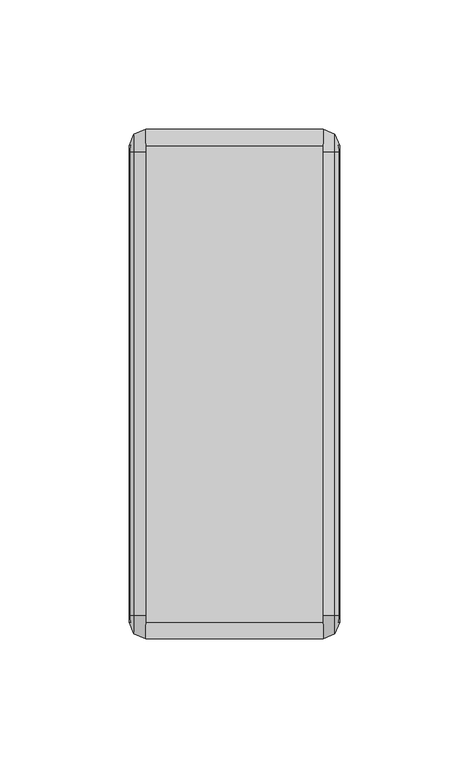
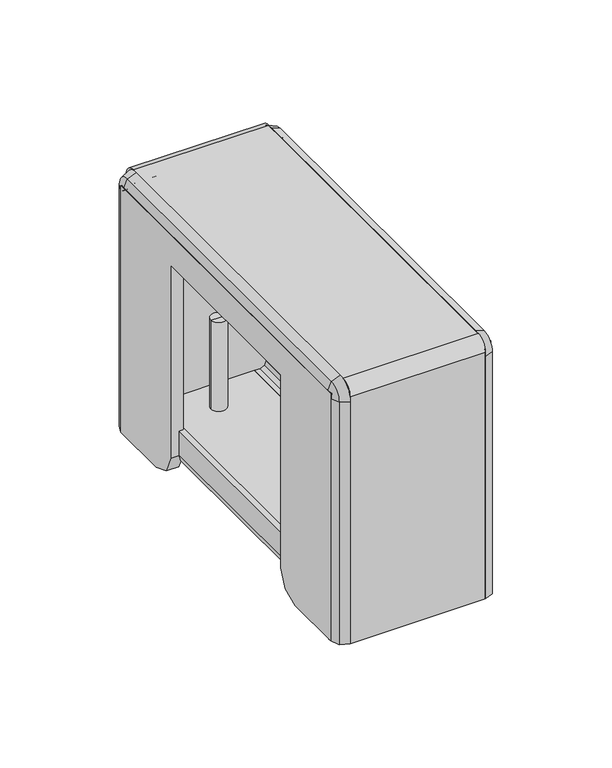
"""IFC4 building model written with IfcOpenShell, lengths in millimetres: furniture geometry."""

import ifcopenshell
import ifcopenshell.guid

model = None  # the IFC model being written
_history = None  # IfcOwnerHistory: only IFC2X3 demands one
_inside = {}  # id of a spatial element -> (the spatial element, [elements in it])
_under = {}  # id of a project, library or spatial element -> (it, [spatial elements below it])
_declared = {}  # id of a project -> (the project, [libraries it declares])
_typed = {}  # id of a type object -> (the type object, [elements of that type])
_made_of = {}  # id of a material, layer set ... -> (it, [elements and type objects made of it])


def new_model(schema):
    """Start an empty IFC model of exactly this schema.

    Asked for "IFC4X3", IfcOpenShell would pick the latest addendum, in which some entities
    have other attributes; the version numbers below select the first issue.
    IFC2X3 requires an IfcOwnerHistory on every rooted entity: one is made here for all.
    """
    global model, _history
    if schema == "IFC4X3":
        model = ifcopenshell.file(schema_version=(4, 3, 0, 0))
    else:
        model = ifcopenshell.file(schema=schema)
    _inside.clear()
    _under.clear()
    _declared.clear()
    _typed.clear()
    _made_of.clear()
    _history = None
    if model.schema == "IFC2X3":
        org = make("IfcOrganization", Name="unknown")
        user = make(
            "IfcPersonAndOrganization",
            ThePerson=make("IfcPerson", FamilyName="unknown"),
            TheOrganization=org,
        )
        app = make(
            "IfcApplication",
            ApplicationDeveloper=org,
            Version="unknown",
            ApplicationFullName="unknown",
            ApplicationIdentifier="unknown",
        )
        _history = make(
            "IfcOwnerHistory",
            OwningUser=user,
            OwningApplication=app,
            ChangeAction="ADDED",
            CreationDate=0,
        )
    return model


def make(cls, **values):
    """One entity of the class cls with the attributes given. An attribute that is None is left unset."""
    return model.create_entity(
        cls, **{name: value for name, value in values.items() if value is not None}
    )


def rooted(cls, **values):
    """An entity with a GlobalId (a new one), such as an element, a storey or a relation."""
    return make(cls, GlobalId=ifcopenshell.guid.new(), OwnerHistory=_history, **values)


def si_unit(unit_type, name, prefix=None):
    """IfcSIUnit, for example si_unit("LENGTHUNIT", "METRE", prefix="MILLI")."""
    return make("IfcSIUnit", UnitType=unit_type, Prefix=prefix, Name=name)


def assignment(units):
    """IfcUnitAssignment: the units of a project."""
    return None if units is None else make("IfcUnitAssignment", Units=units)


def point(xyz):
    """IfcCartesianPoint."""
    return None if xyz is None else make("IfcCartesianPoint", Coordinates=xyz)


def direction(xyz):
    """IfcDirection."""
    return None if xyz is None else make("IfcDirection", DirectionRatios=xyz)


def frame(location, z_axis=None, x_axis=None):
    """IfcAxis2Placement3D, a coordinate frame: its origin and axes. An axis left out is left unset."""
    return make(
        "IfcAxis2Placement3D",
        Location=point(location),
        Axis=direction(z_axis),
        RefDirection=direction(x_axis),
    )


def frame_2d(location, x_axis=None):
    """IfcAxis2Placement2D, a coordinate frame in the plane: its origin and x axis."""
    return make(
        "IfcAxis2Placement2D", Location=point(location), RefDirection=direction(x_axis)
    )


def origin():
    """The frame at (0, 0, 0) with its axes left unset."""
    return frame((0.0, 0.0, 0.0))


def place(relative_to, where):
    """IfcLocalPlacement: puts the frame where relative to a parent placement (None: the world)."""
    return make(
        "IfcLocalPlacement", PlacementRelTo=relative_to, RelativePlacement=where
    )


def context(
    kind, dimensions, precision=None, world=None, true_north=None, identifier=None
):
    """IfcGeometricRepresentationContext, for example the 3D "Model" context."""
    return make(
        "IfcGeometricRepresentationContext",
        ContextIdentifier=identifier,
        ContextType=kind,
        CoordinateSpaceDimension=dimensions,
        Precision=precision,
        WorldCoordinateSystem=world,
        TrueNorth=true_north,
    )


def project(units=None, contexts=None):
    """IfcProject with its units and contexts."""
    return rooted(
        "IfcProject",
        Name="project",
        RepresentationContexts=contexts,
        UnitsInContext=assignment(units),
    )


def spatial(cls, under=None, at=None, **own):
    """A site, building, storey or space (cls), placed at a placement, below another one or the project."""
    s = rooted(cls, ObjectPlacement=at, **own)
    if under is not None:
        _under.setdefault(under.id(), (under, []))[1].append(s)
    return s


def polyline(points):
    """IfcPolyline through the points."""
    return make("IfcPolyline", Points=[point(p) for p in points])


def circle_curve(where, radius):
    """IfcCircle in the frame where."""
    return make("IfcCircle", Position=where, Radius=radius)


def trimmed(basis, trim1, trim2, sense, master):
    """IfcTrimmedCurve: the piece of a basis curve between two trims."""
    return make(
        "IfcTrimmedCurve",
        BasisCurve=basis,
        Trim1=trim1,
        Trim2=trim2,
        SenseAgreement=sense,
        MasterRepresentation=master,
    )


def segment(curve, same_sense, transition):
    """IfcCompositeCurveSegment."""
    return make(
        "IfcCompositeCurveSegment",
        Transition=transition,
        SameSense=same_sense,
        ParentCurve=curve,
    )


def composite_curve(segments, self_intersect=None):
    """IfcCompositeCurve: segments joined end to end."""
    return make("IfcCompositeCurve", Segments=segments, SelfIntersect=self_intersect)


def outline(outer, holes=None, kind="AREA"):
    """IfcArbitraryClosedProfileDef: a profile drawn as a closed curve; with holes, ...WithVoids."""
    if holes is None:
        return make("IfcArbitraryClosedProfileDef", ProfileType=kind, OuterCurve=outer)
    return make(
        "IfcArbitraryProfileDefWithVoids",
        ProfileType=kind,
        OuterCurve=outer,
        InnerCurves=holes,
    )


def extrude(swept, where, along, depth):
    """IfcExtrudedAreaSolid: the profile swept, set in the frame where, extruded along a direction by depth."""
    return make(
        "IfcExtrudedAreaSolid",
        SweptArea=swept,
        Position=where,
        ExtrudedDirection=direction(along),
        Depth=depth,
    )


def shape(context_of_items, identifier, shape_type, items):
    """IfcShapeRepresentation: the items that make up one representation, for example the "Body"."""
    return make(
        "IfcShapeRepresentation",
        ContextOfItems=context_of_items,
        RepresentationIdentifier=identifier,
        RepresentationType=shape_type,
        Items=items,
    )


def source(mapping_origin, context_of_items, identifier, shape_type, items):
    """IfcRepresentationMap: a shape defined once, which mapped items show again and again."""
    return make(
        "IfcRepresentationMap",
        MappingOrigin=mapping_origin,
        MappedRepresentation=shape(context_of_items, identifier, shape_type, items),
    )


def transform(
    local_origin,
    x_axis=None,
    y_axis=None,
    z_axis=None,
    scale=None,
    scale2=None,
    scale3=None,
    uniform=True,
):
    """IfcCartesianTransformationOperator3D, or its non-uniform kind. x_axis, y_axis, z_axis: its Axis1, 2, 3."""
    if uniform:
        return make(
            "IfcCartesianTransformationOperator3D",
            Axis1=direction(x_axis),
            Axis2=direction(y_axis),
            LocalOrigin=point(local_origin),
            Scale=scale,
            Axis3=direction(z_axis),
        )
    return make(
        "IfcCartesianTransformationOperator3DnonUniform",
        Axis1=direction(x_axis),
        Axis2=direction(y_axis),
        LocalOrigin=point(local_origin),
        Scale=scale,
        Axis3=direction(z_axis),
        Scale2=scale2,
        Scale3=scale3,
    )


def mapped(mapping_source, mapping_target):
    """IfcMappedItem: shows the shape of a source again, moved by a transform."""
    return make(
        "IfcMappedItem", MappingSource=mapping_source, MappingTarget=mapping_target
    )


def made_of(thing, what):
    """Note that an element or type object is made of a material, layer set ...; save() writes the relation."""
    if what is not None:
        _made_of.setdefault(what.id(), (what, []))[1].append(thing)
    return thing


def element(
    cls,
    number,
    at=None,
    inside=None,
    cuts=None,
    type_object=None,
    material=None,
    context=None,
    identifier="Body",
    shape_type=None,
    held_by="IfcProductDefinitionShape",
    body=None,
    shapes=None,
    **own,
):
    """One element of the class cls, such as IfcWall. Its Tag is "e" and its number.

    at: its placement. inside: the storey or other place that contains it. cuts: it is an
    opening in that element (IfcRelVoidsElement). A single representation is given by context,
    identifier, shape_type and body (its items); several are given by shapes. held_by: the class
    of the entity that holds the representations. save() writes the other relations.
    """
    e = rooted(cls, Tag="e%d" % number, ObjectPlacement=at, **own)
    if body is not None:
        shapes = [shape(context, identifier, shape_type, body)]
    if shapes is not None:
        e.Representation = make(held_by, Representations=shapes)
    if inside is not None:
        _inside.setdefault(inside.id(), (inside, []))[1].append(e)
    if cuts is not None:
        rooted(
            "IfcRelVoidsElement", RelatingBuildingElement=cuts, RelatedOpeningElement=e
        )
    if type_object is not None:
        _typed.setdefault(type_object.id(), (type_object, []))[1].append(e)
    return made_of(e, material)


def aggregate(whole, parts):
    """IfcRelAggregates: a whole, such as a stair, and the parts it consists of."""
    return rooted("IfcRelAggregates", RelatingObject=whole, RelatedObjects=parts)


def save(model, path):
    """Write the relations noted so far, then the file.

    IfcRelAggregates (storeys below a building ...), IfcRelContainedInSpatialStructure (elements
    in a storey), IfcRelDefinesByType, IfcRelAssociatesMaterial and IfcRelDeclares: one each for
    every whole, place, type object, material and project.
    """
    for whole, parts in _under.values():
        aggregate(whole, parts)
    for where, things in _inside.values():
        rooted(
            "IfcRelContainedInSpatialStructure",
            RelatedElements=things,
            RelatingStructure=where,
        )
    for kind, things in _typed.values():
        rooted("IfcRelDefinesByType", RelatedObjects=things, RelatingType=kind)
    for what, things in _made_of.values():
        rooted("IfcRelAssociatesMaterial", RelatedObjects=things, RelatingMaterial=what)
    for by, libraries in _declared.values():
        rooted("IfcRelDeclares", RelatingContext=by, RelatedDefinitions=libraries)
    model.write(path)


def plane_surface(at):
    """IfcPlane: the flat surface through the origin of the frame at, square to its z axis."""
    return make("IfcPlane", Position=at)


def cylinder_surface(at, radius):
    """IfcCylindricalSurface: all points at the distance radius from the z axis of the frame at."""
    return make("IfcCylindricalSurface", Position=at, Radius=radius)


def revolved_surface(curve, axis_point, axis_direction):
    """IfcSurfaceOfRevolution: the curve turned about the line through axis_point along axis_direction."""
    return make(
        "IfcSurfaceOfRevolution",
        SweptCurve=make("IfcArbitraryOpenProfileDef", ProfileType="CURVE", Curve=curve),
        AxisPosition=make("IfcAxis1Placement", Location=point(axis_point), Axis=direction(axis_direction)),
    )


def advanced_brep(points, edges, surfaces, faces):
    """IfcAdvancedBrep: a solid bounded by faces that lie on surfaces and meet in shared edges.

    An edge is (start, end): straight between two places in points (the first is 0);
    or (start, end, curve); or (start, end, curve, False) where it runs against its curve.
    A face is (place in surfaces, loops), or (place, loops, False) where it looks against
    its surface's normal. A loop lists edges by number (the first is 1), with a minus sign
    where the edge is run from its end to its start. The first loop is the outer one.
    """
    corners = [point(p) for p in points]
    vertices = [make("IfcVertexPoint", VertexGeometry=c) for c in corners]
    made = []
    for start, end, *more in edges:
        made.append(
            make(
                "IfcEdgeCurve",
                EdgeStart=vertices[start],
                EdgeEnd=vertices[end],
                EdgeGeometry=more[0] if more else make("IfcPolyline", Points=[corners[start], corners[end]]),
                SameSense=more[1] if len(more) > 1 else True,
            )
        )
    hull = []
    for where, loops, *sense in faces:
        bounds = []
        for j, loop in enumerate(loops):
            ring = [make("IfcOrientedEdge", EdgeElement=made[abs(k) - 1], Orientation=k > 0) for k in loop]
            bounds.append(
                make(
                    "IfcFaceOuterBound" if j == 0 else "IfcFaceBound",
                    Bound=make("IfcEdgeLoop", EdgeList=ring),
                    Orientation=True,
                )
            )
        hull.append(make("IfcAdvancedFace", Bounds=bounds, FaceSurface=surfaces[where], SameSense=sense[0] if sense else True))
    return make("IfcAdvancedBrep", Outer=make("IfcClosedShell", CfsFaces=hull))


def furniture_15d91f22(model_context):
    return source(origin(), model_context, "Body", "SolidModel", [
        advanced_brep(
        [(44.6918555, -162.8161811, 60.1980016), (36.690854, -162.8161811, 60.1980016), (36.690854, -162.8161811, 7.8739999), (44.6918555, -162.8161811, 7.8739999), (27.9913487, -162.8161811, 7.8739999), (53.3913608, -162.8161811, 7.8739999), (27.9913487, -162.8161811, 2.6834552), (53.3913608, -162.8161811, 2.6834552), (40.6913548, -162.8161811, 0.0), (40.6913548, -162.8161811, 60.1980016)],
        [
            (0, 1, circle_curve(frame((40.6913548, -162.8161811, 60.1980016), z_axis=(0.0, 0.0, -1.0), x_axis=(-1.0, 0.0, 0.0)), 4.0005007)),
            (1, 2),
            (2, 3, circle_curve(frame((40.6913548, -162.8161811, 7.8739999), z_axis=(0.0, 0.0, 1.0), x_axis=(-1.0, 0.0, 0.0)), 4.0005007)),
            (3, 0),
            (1, 0, circle_curve(frame((40.6913548, -162.8161811, 60.1980016), z_axis=(0.0, 0.0, -1.0), x_axis=(-1.0, 0.0, 0.0)), 4.0005007)),
            (3, 2, circle_curve(frame((40.6913548, -162.8161811, 7.8739999), z_axis=(0.0, 0.0, 1.0), x_axis=(-1.0, 0.0, 0.0)), 4.0005007)),
            (2, 4),
            (4, 5, circle_curve(frame((40.6913548, -162.8161811, 7.8739999), z_axis=(0.0, 0.0, 1.0), x_axis=(-1.0, 0.0, 0.0)), 12.7000061)),
            (5, 3),
            (5, 4, circle_curve(frame((40.6913548, -162.8161811, 7.8739999), z_axis=(0.0, 0.0, 1.0), x_axis=(-1.0, 0.0, 0.0)), 12.7000061)),
            (4, 6),
            (6, 7, circle_curve(frame((40.6913548, -162.8161811, 2.6834552), z_axis=(0.0, 0.0, 1.0), x_axis=(-1.0, 0.0, 0.0)), 12.7000061)),
            (7, 5),
            (7, 6, circle_curve(frame((40.6913548, -162.8161811, 2.6834552), z_axis=(0.0, 0.0, 1.0), x_axis=(-1.0, 0.0, 0.0)), 12.7000061)),
            (6, 8),
            (8, 7),
            (9, 1),
            (0, 9),
        ],
        [
            cylinder_surface(frame((40.6913548, -162.8161811, 60.1980016), z_axis=(0.0, 0.0, 1.0), x_axis=(-1.0, 0.0, 0.0)), 4.0005007),
            plane_surface(frame((40.6913548, -162.8161811, 7.8739999), z_axis=(0.0, 0.0, 1.0), x_axis=(-1.0, 0.0, 0.0))),
            cylinder_surface(frame((40.6913548, -162.8161811, 60.1980016), z_axis=(0.0, 0.0, 1.0), x_axis=(-1.0, 0.0, 0.0)), 12.7000061),
            revolved_surface(polyline([(40.6913548, -162.8161811, 0.0), (27.9913487, -162.8161811, 2.6834552)]), (40.6913548, -162.8161811, 60.1980016), (0.0, 0.0, 1.0)),
            plane_surface(frame((40.6913548, -162.8161811, 60.1980016), z_axis=(0.0, 0.0, 1.0), x_axis=(-1.0, 0.0, 0.0))),
        ],
        [
            (0, [[1, 2, 3, 4]]),
            (0, [[5, -4, 6, -2]]),
            (1, [[-3, 7, 8, 9]]),
            (1, [[-6, -9, 10, -7]]),
            (2, [[-8, 11, 12, 13]]),
            (2, [[-10, -13, 14, -11]]),
            (3, [[-12, 15, 16]]),
            (3, [[-14, -16, -15]]),
            (4, [[17, -1, 18]]),
            (4, [[-18, -5, -17]]),
        ],
    ),
        advanced_brep(
        [(44.6918555, -21.7014804, 7.8739999), (36.690854, -21.7014804, 7.8739999), (36.690854, -21.7014804, 60.1980016), (44.6918555, -21.7014804, 60.1980016), (53.3913608, -21.7014804, 7.8739999), (27.9913487, -21.7014804, 7.8739999), (53.3913608, -21.7014804, 2.6834552), (27.9913487, -21.7014804, 2.6834552), (40.6913548, -21.7014804, 0.0), (40.6913548, -21.7014804, 60.1980016)],
        [
            (0, 1, circle_curve(frame((40.6913548, -21.7014804, 7.8739999), z_axis=(0.0, 0.0, 1.0), x_axis=(-1.0, 0.0, 0.0)), 4.0005007)),
            (1, 2),
            (2, 3, circle_curve(frame((40.6913548, -21.7014804, 60.1980016), z_axis=(0.0, 0.0, -1.0), x_axis=(-1.0, 0.0, 0.0)), 4.0005007)),
            (3, 0),
            (1, 0, circle_curve(frame((40.6913548, -21.7014804, 7.8739999), z_axis=(0.0, 0.0, 1.0), x_axis=(-1.0, 0.0, 0.0)), 4.0005007)),
            (3, 2, circle_curve(frame((40.6913548, -21.7014804, 60.1980016), z_axis=(0.0, 0.0, -1.0), x_axis=(-1.0, 0.0, 0.0)), 4.0005007)),
            (4, 5, circle_curve(frame((40.6913548, -21.7014804, 7.8739999), z_axis=(0.0, 0.0, 1.0), x_axis=(-1.0, 0.0, 0.0)), 12.7000061)),
            (5, 1),
            (0, 4),
            (5, 4, circle_curve(frame((40.6913548, -21.7014804, 7.8739999), z_axis=(0.0, 0.0, 1.0), x_axis=(-1.0, 0.0, 0.0)), 12.7000061)),
            (6, 7, circle_curve(frame((40.6913548, -21.7014804, 2.6834552), z_axis=(0.0, 0.0, 1.0), x_axis=(-1.0, 0.0, 0.0)), 12.7000061)),
            (7, 5),
            (4, 6),
            (7, 6, circle_curve(frame((40.6913548, -21.7014804, 2.6834552), z_axis=(0.0, 0.0, 1.0), x_axis=(-1.0, 0.0, 0.0)), 12.7000061)),
            (8, 7),
            (6, 8),
            (2, 9),
            (9, 3),
        ],
        [
            cylinder_surface(frame((40.6913548, -21.7014804, 60.1980016), z_axis=(0.0, 0.0, -1.0), x_axis=(-1.0, 0.0, 0.0)), 4.0005007),
            plane_surface(frame((40.6913548, -21.7014804, 7.8739999), z_axis=(0.0, 0.0, 1.0), x_axis=(-1.0, 0.0, 0.0))),
            cylinder_surface(frame((40.6913548, -21.7014804, 60.1980016), z_axis=(0.0, 0.0, -1.0), x_axis=(-1.0, 0.0, 0.0)), 12.7000061),
            revolved_surface(polyline([(27.9913487, -21.7014804, 2.6834552), (40.6913548, -21.7014804, 0.0)]), (40.6913548, -21.7014804, 60.1980016), (0.0, 0.0, -1.0)),
            plane_surface(frame((40.6913548, -21.7014804, 60.1980016), z_axis=(0.0, 0.0, 1.0), x_axis=(-1.0, 0.0, 0.0))),
        ],
        [
            (0, [[1, 2, 3, 4]]),
            (0, [[5, -4, 6, -2]]),
            (1, [[7, 8, -1, 9]]),
            (1, [[10, -9, -5, -8]]),
            (2, [[11, 12, -7, 13]]),
            (2, [[14, -13, -10, -12]]),
            (3, [[15, -11, 16]]),
            (3, [[-16, -14, -15]]),
            (4, [[-3, 17, 18]]),
            (4, [[-6, -18, -17]]),
        ],
    ),
        extrude(outline(polyline([(9.8583747, 13.3499982), (12.8983747, 13.3499982), (12.8983747, 10.5649983), (13.8283109, 8.3199341), (16.073375, 7.389999), (28.9083758, 7.389999), (28.9083758, 4.3499979), (16.073375, 4.3499979), (11.6787067, 6.170331), (9.8583747, 10.5649983), (9.8583747, 13.3499982)])), frame((0.0, -190.6970021, 0.0), z_axis=(0.0, 1.0, 0.0), x_axis=(0.0, 0.0, 1.0)), (0.0, 0.0, 1.0), 184.4740023),
        extrude(outline(polyline([(9.8583747, 67.998879), (9.8583747, 70.7838789), (11.6787067, 75.1785462), (16.073375, 76.9988793), (28.9083758, 76.9988793), (28.9083758, 73.9588782), (16.073375, 73.9588782), (13.8283109, 73.0289431), (12.8983747, 70.7838789), (12.8983747, 67.998879), (9.8583747, 67.998879)])), frame((0.0, -190.6970021, 0.0), z_axis=(0.0, 1.0, 0.0), x_axis=(0.0, 0.0, 1.0)), (0.0, 0.0, 1.0), 184.4740023),
        extrude(outline(polyline([(67.998879, -190.6970021), (13.3499982, -190.6970021), (13.3499982, -6.2229997), (67.998879, -6.2229997), (67.998879, -190.6970021)])), frame((0.0, 0.0, 9.8583747), z_axis=(0.0, 0.0, 1.0), x_axis=(1.0, 0.0, 0.0)), (0.0, 0.0, 1.0), 3.04),
        extrude(outline(polyline([(-6.2229997, 3.4703749), (-37.3000017, 3.4703749), (-46.2802539, 7.1901191), (-49.9999987, 16.1703747), (-49.9999987, 119.8104104), (-146.9199958, 119.8104104), (-146.9199958, 16.1703747), (-150.6397451, 7.1901191), (-159.6199927, 3.4703749), (-190.6970021, 3.4703749), (-190.6970021, 136.0169734), (-6.2229997, 136.0169734), (-6.2229997, 3.4703749)])), frame((74.9988772, 0.0, 0.0), z_axis=(1.0, 0.0, 0.0), x_axis=(0.0, 1.0, 0.0)), (0.0, 0.0, 1.0), 6.35),
        extrude(outline(polyline([(-6.2229997, 3.4703749), (-37.3000017, 3.4703749), (-46.2802539, 7.1901191), (-49.9999987, 16.1703747), (-49.9999987, 119.8104104), (-146.9199958, 119.8104104), (-146.9199958, 16.1703747), (-150.6397451, 7.1901191), (-159.6199927, 3.4703749), (-190.6970021, 3.4703749), (-190.6970021, 136.0169734), (-6.2229997, 136.0169734), (-6.2229997, 3.4703749)])), frame((0.0, 0.0, 0.0), z_axis=(1.0, 0.0, 0.0), x_axis=(0.0, 1.0, 0.0)), (0.0, 0.0, 1.0), 6.35),
        advanced_brep(
        [(0.0, -190.6970021, 3.4703749), (0.0, -189.1970028, 3.4703749), (6.35, -189.1970028, 3.4703749), (6.35, -196.9726108, 3.4703749), (1.8226722, -195.0973331, 3.4703749), (6.35, -189.1970028, 133.4769734), (6.35, -188.1570021, 134.5169741), (6.35, -8.7629997, 134.5169741), (6.35, -7.722999, 133.4769734), (6.35, -7.722999, 3.4703749), (6.35, 0.052609, 3.4703749), (6.35, 0.052609, 133.4769734), (6.35, -8.7629997, 142.2925821), (6.35, -188.1570021, 142.2925821), (6.35, -196.9726108, 133.4769734), (0.0, -189.1970028, 133.4769734), (0.0, -190.6970021, 133.4769734), (0.0, -188.1570021, 136.0169734), (0.0, -8.7629997, 136.0169734), (0.0, -6.2229997, 133.4769734), (0.0, -6.2229997, 3.4703749), (0.0, -7.722999, 3.4703749), (0.0, -7.722999, 133.4769734), (0.0, -8.7629997, 134.5169741), (0.0, -188.1570021, 134.5169741), (1.8226722, -1.8226688, 3.4703749), (1.8226722, -195.0973331, 133.4769734), (1.8226722, -188.1570021, 140.4173043), (1.8226722, -8.7629997, 140.4173043), (1.8226722, -1.8226688, 133.4769734)],
        [
            (0, 1),
            (1, 2),
            (2, 3),
            (3, 4),
            (4, 0),
            (2, 5),
            (5, 6, circle_curve(frame((6.35, -188.1570021, 133.4769734), z_axis=(-1.0, 0.0, 0.0), x_axis=(0.0, -1.0, 0.0)), 1.0400007)),
            (6, 7),
            (7, 8, circle_curve(frame((6.35, -8.7629997, 133.4769734), z_axis=(-1.0, 0.0, 0.0), x_axis=(0.0, 0.0, 1.0)), 1.0400007)),
            (8, 9),
            (9, 10),
            (10, 11),
            (11, 12, circle_curve(frame((6.35, -8.7629997, 133.4769734), z_axis=(1.0, 0.0, 0.0), x_axis=(0.0, 0.0, 1.0)), 8.8156088)),
            (12, 13),
            (13, 14, circle_curve(frame((6.35, -188.1570021, 133.4769734), z_axis=(1.0, 0.0, 0.0), x_axis=(0.0, -1.0, 0.0)), 8.8156088)),
            (14, 3),
            (1, 15),
            (15, 5),
            (0, 16),
            (16, 17, circle_curve(frame((0.0, -188.1570021, 133.4769734), z_axis=(-1.0, 0.0, 0.0), x_axis=(0.0, -1.0, 0.0)), 2.54)),
            (17, 18),
            (18, 19, circle_curve(frame((0.0, -8.7629997, 133.4769734), z_axis=(-1.0, 0.0, 0.0), x_axis=(0.0, 0.0, 1.0)), 2.54)),
            (19, 20),
            (20, 21),
            (21, 22),
            (22, 23, circle_curve(frame((0.0, -8.7629997, 133.4769734), z_axis=(1.0, 0.0, 0.0), x_axis=(0.0, 0.0, 1.0)), 1.0400007)),
            (23, 24),
            (24, 15, circle_curve(frame((0.0, -188.1570021, 133.4769734), z_axis=(1.0, 0.0, 0.0), x_axis=(0.0, -1.0, 0.0)), 1.0400007)),
            (24, 6),
            (23, 7),
            (22, 8),
            (20, 25),
            (25, 10),
            (9, 21),
            (4, 26),
            (26, 16),
            (14, 26),
            (26, 27, circle_curve(frame((1.8226722, -188.1570021, 133.4769734), z_axis=(-1.0, 0.0, 0.0), x_axis=(0.0, -1.0, 0.0)), 6.940331)),
            (27, 17),
            (13, 27),
            (27, 28),
            (28, 18),
            (12, 28),
            (28, 29, circle_curve(frame((1.8226722, -8.7629997, 133.4769734), z_axis=(-1.0, 0.0, 0.0), x_axis=(0.0, 0.0, 1.0)), 6.940331)),
            (29, 19),
            (11, 29),
            (29, 25),
        ],
        [
            plane_surface(frame((6.3499985, -190.6970021, 3.4703749), z_axis=(0.0, 0.0, -1.0), x_axis=(-1.0, 0.0, 0.0))),
            plane_surface(frame((6.35, -189.1970028, 3.4703749), z_axis=(1.0, 0.0, 0.0), x_axis=(0.0, 0.0, 1.0))),
            plane_surface(frame((0.0, -189.1970028, 3.4703749), z_axis=(0.0, 1.0, 0.0), x_axis=(0.0, 0.0, 1.0))),
            plane_surface(frame((0.0, -190.6970021, 3.4703749), z_axis=(-1.0, 0.0, 0.0), x_axis=(0.0, 0.0, 1.0))),
            revolved_surface(polyline([(0.0, -189.1970028, 133.4769734), (6.35, -189.1970028, 133.4769734)]), (6.3499985, -188.1570021, 133.4769734), (-1.0, 0.0, 0.0)),
            plane_surface(frame((0.0, -188.1570021, 134.5169741), z_axis=(0.0, 0.0, -1.0), x_axis=(0.0, 1.0, 0.0))),
            revolved_surface(polyline([(0.0, -8.7629997, 134.5169741), (6.35, -8.7629997, 134.5169741)]), (6.3499985, -8.7629997, 133.4769734), (-1.0, 0.0, 0.0)),
            plane_surface(frame((6.3499985, -6.2229997, 3.4703749), z_axis=(0.0, 0.0, -1.0), x_axis=(-1.0, 0.0, 0.0))),
            plane_surface(frame((0.0, -7.722999, 133.4769734), z_axis=(0.0, -1.0, 0.0), x_axis=(0.0, 0.0, -1.0))),
            plane_surface(frame((1.8226722, -195.0973331, 3.4703749), z_axis=(-0.9238798733387227, -0.3826826095338352, 0.0), x_axis=(0.0, 0.0, 1.0))),
            plane_surface(frame((6.35, -196.9726108, 3.4703749), z_axis=(-0.3826829466812399, -0.9238797336879748, 0.0), x_axis=(0.0, 0.0, 1.0))),
            revolved_surface(polyline([(1.8226722, -195.0973331, 133.4769734), (0.0, -190.6970021, 133.4769734)]), (6.3499985, -188.1570021, 133.4769734), (-1.0, 0.0, 0.0)),
            revolved_surface(polyline([(6.35, -196.9726108, 133.4769734), (1.8226722, -195.0973331, 133.4769734)]), (6.3499985, -188.1570021, 133.4769734), (-1.0, 0.0, 0.0)),
            plane_surface(frame((1.8226722, -188.1570021, 140.4173043), z_axis=(-0.9238798733387267, 0.0, 0.38268260953382577), x_axis=(0.0, 1.0, 0.0))),
            plane_surface(frame((6.35, -188.1570021, 142.2925821), z_axis=(-0.3826829466812494, 0.0, 0.9238797336879709), x_axis=(0.0, 1.0, 0.0))),
            revolved_surface(polyline([(1.8226722, -8.7629997, 140.4173043), (0.0, -8.7629997, 136.0169734)]), (6.3499985, -8.7629997, 133.4769734), (-1.0, 0.0, 0.0)),
            revolved_surface(polyline([(6.35, -8.7629997, 142.2925821), (1.8226722, -8.7629997, 140.4173043)]), (6.3499985, -8.7629997, 133.4769734), (-1.0, 0.0, 0.0)),
            plane_surface(frame((1.8226722, -1.8226688, 133.4769734), z_axis=(-0.9238798733387228, 0.38268260953383526, 0.0), x_axis=(0.0, 0.0, -1.0))),
            plane_surface(frame((6.35, 0.052609, 133.4769734), z_axis=(-0.3826829466812399, 0.9238797336879748, 0.0), x_axis=(0.0, 0.0, -1.0))),
        ],
        [
            (0, [[1, 2, 3, 4, 5]]),
            (1, [[-3, 6, 7, 8, 9, 10, 11, 12, 13, 14, 15, 16]]),
            (2, [[-2, 17, 18, -6]]),
            (3, [[-1, 19, 20, 21, 22, 23, 24, 25, 26, 27, 28, -17]]),
            (4, [[-7, -18, -28, 29]]),
            (5, [[-29, -27, 30, -8]]),
            (6, [[-9, -30, -26, 31]]),
            (7, [[32, 33, -11, 34, -24]]),
            (8, [[-31, -25, -34, -10]]),
            (9, [[-5, 35, 36, -19]]),
            (10, [[-4, -16, 37, -35]]),
            (11, [[-20, -36, 38, 39]]),
            (12, [[-38, -37, -15, 40]]),
            (13, [[-39, 41, 42, -21]]),
            (14, [[-40, -14, 43, -41]]),
            (15, [[-22, -42, 44, 45]]),
            (16, [[-44, -43, -13, 46]]),
            (17, [[-45, 47, -32, -23]]),
            (18, [[-46, -12, -33, -47]]),
        ],
    ),
        advanced_brep(
        [(81.3488772, -190.6970021, 3.4703749), (79.526205, -195.0973331, 3.4703749), (74.9988772, -196.9726108, 3.4703749), (74.9988772, -189.1970028, 3.4703749), (81.3488772, -189.1970028, 3.4703749), (74.9988772, -196.9726108, 133.4769734), (74.9988772, -188.1570021, 142.2925821), (74.9988772, -8.7629997, 142.2925821), (74.9988772, 0.052609, 133.4769734), (74.9988772, 0.052609, 3.4703749), (74.9988772, -7.722999, 3.4703749), (74.9988772, -7.722999, 133.4769734), (74.9988772, -8.7629997, 134.5169741), (74.9988772, -188.1570021, 134.5169741), (74.9988772, -189.1970028, 133.4769734), (81.3488772, -189.1970028, 133.4769734), (81.3488772, -188.1570021, 134.5169741), (81.3488772, -8.7629997, 134.5169741), (81.3488772, -7.722999, 133.4769734), (81.3488772, -7.722999, 3.4703749), (81.3488772, -6.2229997, 3.4703749), (81.3488772, -6.2229997, 133.4769734), (81.3488772, -8.7629997, 136.0169734), (81.3488772, -188.1570021, 136.0169734), (81.3488772, -190.6970021, 133.4769734), (79.526205, -1.8226688, 3.4703749), (79.526205, -195.0973331, 133.4769734), (79.526205, -188.1570021, 140.4173043), (79.526205, -8.7629997, 140.4173043), (79.526205, -1.8226688, 133.4769734)],
        [
            (0, 1),
            (1, 2),
            (2, 3),
            (3, 4),
            (4, 0),
            (2, 5),
            (5, 6, circle_curve(frame((74.9988772, -188.1570021, 133.4769734), z_axis=(-1.0, 0.0, 0.0), x_axis=(0.0, -1.0, 0.0)), 8.8156088)),
            (6, 7),
            (7, 8, circle_curve(frame((74.9988772, -8.7629997, 133.4769734), z_axis=(-1.0, 0.0, 0.0), x_axis=(0.0, 0.0, 1.0)), 8.8156088)),
            (8, 9),
            (9, 10),
            (10, 11),
            (11, 12, circle_curve(frame((74.9988772, -8.7629997, 133.4769734), z_axis=(1.0, 0.0, 0.0), x_axis=(0.0, 0.0, 1.0)), 1.0400007)),
            (12, 13),
            (13, 14, circle_curve(frame((74.9988772, -188.1570021, 133.4769734), z_axis=(1.0, 0.0, 0.0), x_axis=(0.0, -1.0, 0.0)), 1.0400007)),
            (14, 3),
            (14, 15),
            (15, 4),
            (15, 16, circle_curve(frame((81.3488772, -188.1570021, 133.4769734), z_axis=(-1.0, 0.0, 0.0), x_axis=(0.0, -1.0, 0.0)), 1.0400007)),
            (16, 17),
            (17, 18, circle_curve(frame((81.3488772, -8.7629997, 133.4769734), z_axis=(-1.0, 0.0, 0.0), x_axis=(0.0, 0.0, 1.0)), 1.0400007)),
            (18, 19),
            (19, 20),
            (20, 21),
            (21, 22, circle_curve(frame((81.3488772, -8.7629997, 133.4769734), z_axis=(1.0, 0.0, 0.0), x_axis=(0.0, 0.0, 1.0)), 2.54)),
            (22, 23),
            (23, 24, circle_curve(frame((81.3488772, -188.1570021, 133.4769734), z_axis=(1.0, 0.0, 0.0), x_axis=(0.0, -1.0, 0.0)), 2.54)),
            (24, 0),
            (13, 16),
            (12, 17),
            (11, 18),
            (19, 10),
            (9, 25),
            (25, 20),
            (24, 26),
            (26, 1),
            (26, 5),
            (27, 26, circle_curve(frame((79.526205, -188.1570021, 133.4769734), z_axis=(1.0, 0.0, 0.0), x_axis=(0.0, -1.0, 0.0)), 6.940331)),
            (23, 27),
            (27, 6),
            (22, 28),
            (28, 27),
            (28, 7),
            (29, 28, circle_curve(frame((79.526205, -8.7629997, 133.4769734), z_axis=(1.0, 0.0, 0.0), x_axis=(0.0, 0.0, 1.0)), 6.940331)),
            (21, 29),
            (29, 8),
            (25, 29),
        ],
        [
            plane_surface(frame((74.9988787, -190.6970021, 3.4703749), z_axis=(0.0, 0.0, -1.0), x_axis=(1.0, 0.0, 0.0))),
            plane_surface(frame((74.9988772, -196.9726108, 3.4703749), z_axis=(-1.0, 0.0, 0.0), x_axis=(0.0, 0.0, 1.0))),
            plane_surface(frame((74.9988772, -189.1970028, 3.4703749), z_axis=(0.0, 1.0, 0.0), x_axis=(0.0, 0.0, 1.0))),
            plane_surface(frame((81.3488772, -189.1970028, 3.4703749), z_axis=(1.0, 0.0, 0.0), x_axis=(0.0, 0.0, 1.0))),
            revolved_surface(polyline([(74.9988772, -189.1970028, 133.4769734), (81.3488772, -189.1970028, 133.4769734)]), (74.9988787, -188.1570021, 133.4769734), (-1.0, 0.0, 0.0)),
            plane_surface(frame((74.9988772, -188.1570021, 134.5169741), z_axis=(0.0, 0.0, -1.0), x_axis=(0.0, 1.0, 0.0))),
            revolved_surface(polyline([(74.9988772, -8.7629997, 134.5169741), (81.3488772, -8.7629997, 134.5169741)]), (74.9988787, -8.7629997, 133.4769734), (-1.0, 0.0, 0.0)),
            plane_surface(frame((74.9988787, -6.2229997, 3.4703749), z_axis=(0.0, 0.0, -1.0), x_axis=(1.0, 0.0, 0.0))),
            plane_surface(frame((74.9988772, -7.722999, 133.4769734), z_axis=(0.0, -1.0, 0.0), x_axis=(0.0, 0.0, -1.0))),
            plane_surface(frame((81.3488772, -190.6970021, 3.4703749), z_axis=(0.9238798733387227, -0.3826826095338352, 0.0), x_axis=(0.0, 0.0, 1.0))),
            plane_surface(frame((79.526205, -195.0973331, 3.4703749), z_axis=(0.3826829466812399, -0.9238797336879748, 0.0), x_axis=(0.0, 0.0, 1.0))),
            revolved_surface(polyline([(81.3488772, -190.6970021, 133.4769734), (79.526205, -195.0973331, 133.4769734)]), (74.9988787, -188.1570021, 133.4769734), (-1.0, 0.0, 0.0)),
            revolved_surface(polyline([(79.526205, -195.0973331, 133.4769734), (74.9988772, -196.9726108, 133.4769734)]), (74.9988787, -188.1570021, 133.4769734), (-1.0, 0.0, 0.0)),
            plane_surface(frame((81.3488772, -188.1570021, 136.0169734), z_axis=(0.9238798733387267, 0.0, 0.38268260953382577), x_axis=(0.0, 1.0, 0.0))),
            plane_surface(frame((79.526205, -188.1570021, 140.4173043), z_axis=(0.3826829466812494, 0.0, 0.9238797336879709), x_axis=(0.0, 1.0, 0.0))),
            revolved_surface(polyline([(81.3488772, -8.7629997, 136.0169734), (79.526205, -8.7629997, 140.4173043)]), (74.9988787, -8.7629997, 133.4769734), (-1.0, 0.0, 0.0)),
            revolved_surface(polyline([(79.526205, -8.7629997, 140.4173043), (74.9988772, -8.7629997, 142.2925821)]), (74.9988787, -8.7629997, 133.4769734), (-1.0, 0.0, 0.0)),
            plane_surface(frame((81.3488772, -6.2229997, 133.4769734), z_axis=(0.9238798733387228, 0.38268260953383526, 0.0), x_axis=(0.0, 0.0, -1.0))),
            plane_surface(frame((79.526205, -1.8226688, 133.4769734), z_axis=(0.3826829466812399, 0.9238797336879748, 0.0), x_axis=(0.0, 0.0, -1.0))),
        ],
        [
            (0, [[1, 2, 3, 4, 5]]),
            (1, [[-3, 6, 7, 8, 9, 10, 11, 12, 13, 14, 15, 16]]),
            (2, [[-4, -16, 17, 18]]),
            (3, [[-5, -18, 19, 20, 21, 22, 23, 24, 25, 26, 27, 28]]),
            (4, [[-19, -17, -15, 29]]),
            (5, [[-29, -14, 30, -20]]),
            (6, [[-21, -30, -13, 31]]),
            (7, [[-23, 32, -11, 33, 34]]),
            (8, [[-31, -12, -32, -22]]),
            (9, [[-1, -28, 35, 36]]),
            (10, [[-2, -36, 37, -6]]),
            (11, [[38, -35, -27, 39]]),
            (12, [[-7, -37, -38, 40]]),
            (13, [[-39, -26, 41, 42]]),
            (14, [[-40, -42, 43, -8]]),
            (15, [[44, -41, -25, 45]]),
            (16, [[-9, -43, -44, 46]]),
            (17, [[-45, -24, -34, 47]]),
            (18, [[-46, -47, -33, -10]]),
        ],
    ),
        extrude(outline(composite_curve([segment(polyline([(0.0, 3.4703749), (-6.2229997, 3.4703749), (-6.2229997, 133.4769734)]), True, "CONTINUOUS"), segment(trimmed(circle_curve(frame_2d((-8.7629997, 133.4769734)), 2.54), [point((-6.2229997, 133.4769734))], [point((-8.7629997, 136.0169734))], True, "CARTESIAN"), True, "CONTINUOUS"), segment(polyline([(-8.7629997, 136.0169734), (-188.1570021, 136.0169734)]), True, "CONTINUOUS"), segment(trimmed(circle_curve(frame_2d((-188.1570021, 133.4769734)), 2.54), [point((-188.1570021, 136.0169734))], [point((-190.6970021, 133.4769734))], True, "CARTESIAN"), True, "CONTINUOUS"), segment(polyline([(-190.6970021, 133.4769734), (-190.6970021, 3.4703749), (-196.9200052, 3.4703749), (-196.9200052, 135.8899734)]), True, "CONTINUOUS"), segment(trimmed(circle_curve(frame_2d((-190.5700052, 135.8899734)), 6.35), [point((-196.9200052, 135.8899734))], [point((-190.5700052, 142.2399734))], False, "CARTESIAN"), True, "CONTINUOUS"), segment(polyline([(-190.5700052, 142.2399734), (-6.35, 142.2399734)]), True, "CONTINUOUS"), segment(trimmed(circle_curve(frame_2d((-6.35, 135.8899734)), 6.35), [point((-6.35, 142.2399734))], [point((0.0, 135.8899734))], False, "CARTESIAN"), True, "CONTINUOUS"), segment(polyline([(0.0, 135.8899734), (0.0, 3.4703749)]), True, "CONTINUOUS")], self_intersect=False)), frame((6.3499985, 0.0, 0.0), z_axis=(1.0, 0.0, 0.0), x_axis=(0.0, 1.0, 0.0)), (0.0, 0.0, 1.0), 68.6488802),
    ])


if __name__ == "__main__":
    model = new_model("IFC4")
    model_context = context("Model", 3, world=origin())
    ifc_project = project(units=[si_unit("LENGTHUNIT", "METRE", prefix="MILLI")], contexts=[model_context])
    site = spatial("IfcSite", under=ifc_project)
    building = spatial("IfcBuilding", under=site)
    placement = place(None, origin())
    furniture_shape = furniture_15d91f22(model_context)
    element("IfcFurniture", 1, at=placement, inside=building, context=model_context, shape_type="MappedRepresentation", body=[
        mapped(furniture_shape, transform((0.0, 0.0, 0.0), x_axis=(1.0, 0.0, 0.0), y_axis=(0.0, 1.0, 0.0), z_axis=(0.0, 0.0, 1.0))),
    ])
    save(model, "model.ifc")
